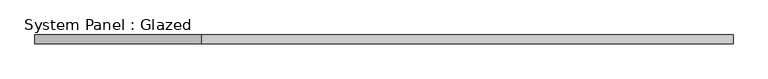
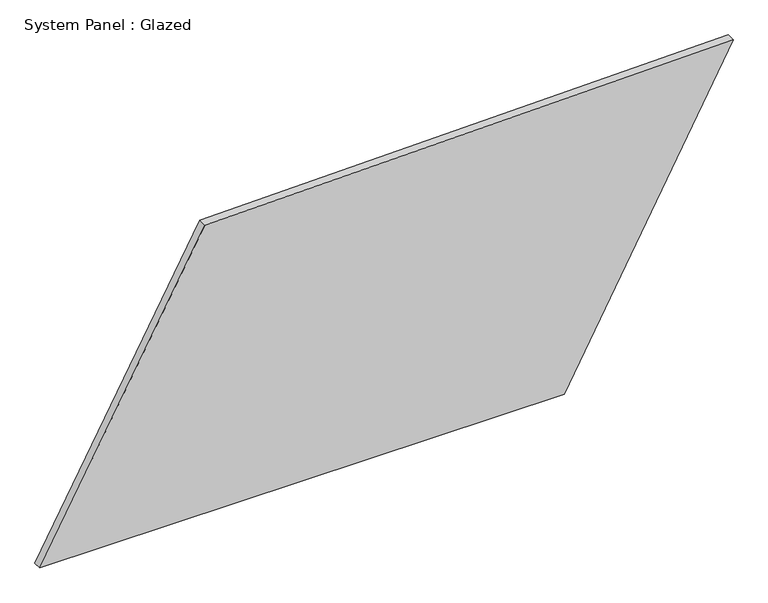
"""IFC4 building model written with IfcOpenShell, lengths in millimetres: plate geometry, System Panel : Glazed."""

from ifc_helpers import new_model, si_unit, frame, origin, place, context, project, spatial, polyline, outline, extrude, source, transform, mapped, element, save


def system_panel_glazed_8b248ddc(model_context):
    return source(origin(), model_context, "Body", "SweptSolid", [
        extrude(outline(polyline([(0.0, -1010.9576951), (0.0, 518.4150797), (920.6068402, 1010.9576951), (888.7840527, -529.8654143), (0.0, -1010.9576951)])), frame((0.0, -49.5, 0.0), z_axis=(0.0, 1.0, 0.0), x_axis=(0.0, 0.0, 1.0)), (0.0, 0.0, 1.0), 25.0),
    ])


if __name__ == "__main__":
    model = new_model("IFC4")
    model_context = context("Model", 3, world=origin())
    ifc_project = project(units=[si_unit("LENGTHUNIT", "METRE", prefix="MILLI")], contexts=[model_context])
    site = spatial("IfcSite", under=ifc_project)
    building = spatial("IfcBuilding", under=site)
    placement = place(None, origin())
    system_panel_glazed_shape = system_panel_glazed_8b248ddc(model_context)
    element("IfcPlate", 1, ObjectType="System Panel : Glazed", at=placement, inside=building, context=model_context, shape_type="MappedRepresentation", body=[
        mapped(system_panel_glazed_shape, transform((0.0, 0.0, 0.0), x_axis=(1.0, 0.0, 0.0), y_axis=(0.0, 1.0, 0.0), z_axis=(0.0, 0.0, 1.0))),
    ])
    save(model, "model.ifc")
